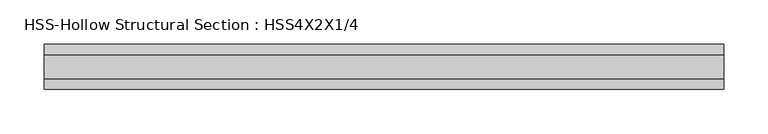
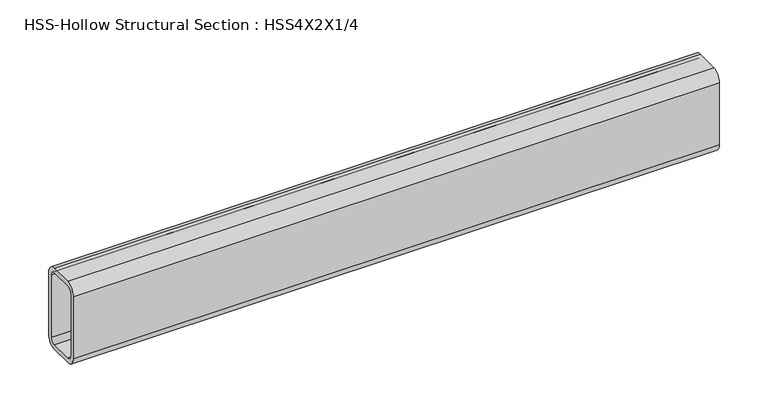
"""IFC4 building model written with IfcOpenShell, lengths in millimetres: beam geometry, HSS-Hollow Structural Section : HSS4X2X1/4."""

from ifc_helpers import new_model, si_unit, point, frame, frame_2d, origin, place, context, project, spatial, polyline, circle_curve, trimmed, segment, composite_curve, outline, extrude, source, transform, mapped, element, save


def hss_hollow_structural_section_hss4x2x1_4_7ab2e9f1(model_context):
    return source(origin(), model_context, "Body", "SweptSolid", [
        extrude(outline(composite_curve([segment(polyline([(25.4, 38.9636), (25.4, -38.9636)]), True, "CONTINUOUS"), segment(trimmed(circle_curve(frame_2d((13.5636, -38.9636)), 11.8364), [point((25.4, -38.9636))], [point((13.5636, -50.8))], False, "CARTESIAN"), True, "CONTINUOUS"), segment(polyline([(13.5636, -50.8), (-13.5636, -50.8)]), True, "CONTINUOUS"), segment(trimmed(circle_curve(frame_2d((-13.5636, -38.9636)), 11.8364), [point((-13.5636, -50.8))], [point((-25.4, -38.9636))], False, "CARTESIAN"), True, "CONTINUOUS"), segment(polyline([(-25.4, -38.9636), (-25.4, 38.9636)]), True, "CONTINUOUS"), segment(trimmed(circle_curve(frame_2d((-13.5636, 38.9636)), 11.8364), [point((-25.4, 38.9636))], [point((-13.5636, 50.8))], False, "CARTESIAN"), True, "CONTINUOUS"), segment(polyline([(-13.5636, 50.8), (13.5636, 50.8)]), True, "CONTINUOUS"), segment(trimmed(circle_curve(frame_2d((13.5636, 38.9636)), 11.8364), [point((13.5636, 50.8))], [point((25.4, 38.9636))], False, "CARTESIAN"), True, "CONTINUOUS")], self_intersect=False), holes=[composite_curve([segment(trimmed(circle_curve(frame_2d((-13.5636, 38.9636)), 5.9182), [point((-13.5636, 44.8818))], [point((-19.4818, 38.9636))], True, "CARTESIAN"), True, "CONTINUOUS"), segment(polyline([(-19.4818, 38.9636), (-19.4818, -38.9636)]), True, "CONTINUOUS"), segment(trimmed(circle_curve(frame_2d((-13.5636, -38.9636)), 5.9182), [point((-19.4818, -38.9636))], [point((-13.5636, -44.8818))], True, "CARTESIAN"), True, "CONTINUOUS"), segment(polyline([(-13.5636, -44.8818), (13.5636, -44.8818)]), True, "CONTINUOUS"), segment(trimmed(circle_curve(frame_2d((13.5636, -38.9636)), 5.9182), [point((13.5636, -44.8818))], [point((19.4818, -38.9636))], True, "CARTESIAN"), True, "CONTINUOUS"), segment(polyline([(19.4818, -38.9636), (19.4818, 38.9636)]), True, "CONTINUOUS"), segment(trimmed(circle_curve(frame_2d((13.5636, 38.9636)), 5.9182), [point((19.4818, 38.9636))], [point((13.5636, 44.8818))], True, "CARTESIAN"), True, "CONTINUOUS"), segment(polyline([(13.5636, 44.8818), (-13.5636, 44.8818)]), True, "CONTINUOUS")], self_intersect=False)]), frame((-370.1322834, 0.0, 0.0), z_axis=(1.0, 0.0, 0.0), x_axis=(0.0, 1.0, 0.0)), (0.0, 0.0, 1.0), 766.1334951),
    ])


if __name__ == "__main__":
    model = new_model("IFC4")
    model_context = context("Model", 3, world=origin())
    ifc_project = project(units=[si_unit("LENGTHUNIT", "METRE", prefix="MILLI")], contexts=[model_context])
    site = spatial("IfcSite", under=ifc_project)
    building = spatial("IfcBuilding", under=site)
    placement = place(None, origin())
    hss_hollow_structural_section_hss4x2x1_4_shape = hss_hollow_structural_section_hss4x2x1_4_7ab2e9f1(model_context)
    element("IfcBeam", 1, ObjectType="HSS-Hollow Structural Section : HSS4X2X1/4", at=placement, inside=building, context=model_context, shape_type="MappedRepresentation", body=[
        mapped(hss_hollow_structural_section_hss4x2x1_4_shape, transform((0.0, 0.0, 0.0), x_axis=(1.0, 0.0, 0.0), y_axis=(0.0, 1.0, 0.0), z_axis=(0.0, 0.0, 1.0))),
    ])
    save(model, "model.ifc")
